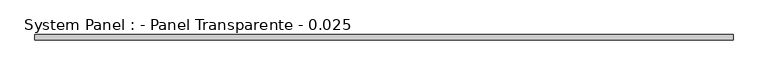
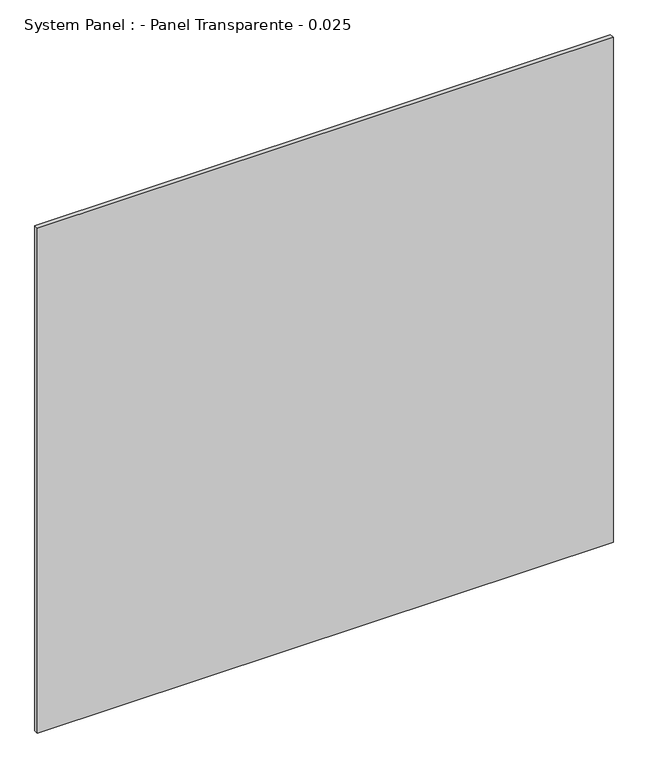
"""IFC4 building model written with IfcOpenShell, lengths in millimetres: plate geometry, System Panel : - Panel Transparente - 0.025."""

from ifc_helpers import new_model, si_unit, origin, origin_with_axes, place, context, project, spatial, polyline, outline, extrude, source, transform, mapped, element, save


def system_panel_panel_transparente_0_025_75afdf5a(model_context):
    return source(origin(), model_context, "Body", "SweptSolid", [
        extrude(outline(polyline([(1635.0, -37.5), (-1635.0, -37.5), (-1635.0, -12.5), (1635.0, -12.5), (1635.0, -37.5)])), origin_with_axes(), (0.0, 0.0, 1.0), 3030.0),
    ])


if __name__ == "__main__":
    model = new_model("IFC4")
    model_context = context("Model", 3, world=origin())
    ifc_project = project(units=[si_unit("LENGTHUNIT", "METRE", prefix="MILLI")], contexts=[model_context])
    site = spatial("IfcSite", under=ifc_project)
    building = spatial("IfcBuilding", under=site)
    placement = place(None, origin())
    system_panel_panel_transparente_0_025_shape = system_panel_panel_transparente_0_025_75afdf5a(model_context)
    element("IfcPlate", 1, ObjectType="System Panel : - Panel Transparente - 0.025", at=placement, inside=building, context=model_context, shape_type="MappedRepresentation", body=[
        mapped(system_panel_panel_transparente_0_025_shape, transform((0.0, 0.0, 0.0), x_axis=(1.0, 0.0, 0.0), y_axis=(0.0, 1.0, 0.0), z_axis=(0.0, 0.0, 1.0))),
    ])
    save(model, "model.ifc")
